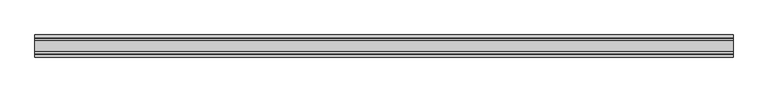
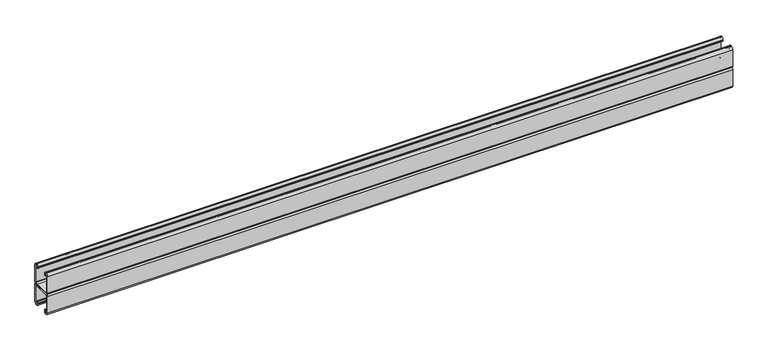
"""IFC4 building model written with IfcOpenShell, lengths in millimetres: proxy geometry."""

from ifc_helpers import new_model, si_unit, point, frame, frame_2d, origin, place, context, project, spatial, polyline, circle_curve, trimmed, segment, composite_curve, outline, extrude, source, transform, mapped, element, save


def specialty_equipment_ce1743c3(model_context):
    return source(origin(), model_context, "Body", "SweptSolid", [
        extrude(outline(composite_curve([segment(trimmed(circle_curve(frame_2d((-15.58925, 5.04825)), 2.38125), [point((-17.9705, 5.04825))], [point((-15.58925, 2.667))], True, "CARTESIAN"), True, "CONTINUOUS"), segment(polyline([(-15.58925, 2.667), (-14.57325, 2.667)]), True, "CONTINUOUS"), segment(trimmed(circle_curve(frame_2d((-14.57325, 3.46075)), 0.79375), [point((-14.57325, 2.667))], [point((-13.7795, 3.46075))], True, "CARTESIAN"), True, "CONTINUOUS"), segment(polyline([(-13.7795, 3.46075), (-13.7795, 5.8039)]), True, "CONTINUOUS"), segment(trimmed(circle_curve(frame_2d((-12.446, 5.8039)), 1.3335), [point((-13.7795, 5.8039))], [point((-11.1125, 5.8039))], False, "CARTESIAN"), True, "CONTINUOUS"), segment(polyline([(-11.1125, 5.8039), (-11.1125, 3.46075)]), True, "CONTINUOUS"), segment(trimmed(circle_curve(frame_2d((-14.57325, 3.46075)), 3.46075), [point((-11.1125, 3.46075))], [point((-14.57325, 0.0))], False, "CARTESIAN"), True, "CONTINUOUS"), segment(polyline([(-14.57325, 0.0), (-15.58925, 0.0)]), True, "CONTINUOUS"), segment(trimmed(circle_curve(frame_2d((-15.58925, 5.04825)), 5.04825), [point((-15.58925, 0.0))], [point((-20.6375, 5.04825))], False, "CARTESIAN"), True, "CONTINUOUS"), segment(polyline([(-20.6375, 5.04825), (-20.6375, 37.81425)]), True, "CONTINUOUS"), segment(trimmed(circle_curve(frame_2d((-17.17675, 37.81425)), 3.46075), [point((-20.6375, 37.81425))], [point((-17.17675, 41.275))], False, "CARTESIAN"), True, "CONTINUOUS"), segment(polyline([(-17.17675, 41.275), (17.17675, 41.275)]), True, "CONTINUOUS"), segment(trimmed(circle_curve(frame_2d((17.17675, 37.81425)), 3.46075), [point((17.17675, 41.275))], [point((20.6375, 37.81425))], False, "CARTESIAN"), True, "CONTINUOUS"), segment(polyline([(20.6375, 37.81425), (20.6375, 5.04825)]), True, "CONTINUOUS"), segment(trimmed(circle_curve(frame_2d((15.58925, 5.04825)), 5.04825), [point((20.6375, 5.04825))], [point((15.58925, 0.0))], False, "CARTESIAN"), True, "CONTINUOUS"), segment(polyline([(15.58925, 0.0), (14.57325, 0.0)]), True, "CONTINUOUS"), segment(trimmed(circle_curve(frame_2d((14.57325, 3.46075)), 3.46075), [point((14.57325, 0.0))], [point((11.1125, 3.46075))], False, "CARTESIAN"), True, "CONTINUOUS"), segment(polyline([(11.1125, 3.46075), (11.1125, 5.8039)]), True, "CONTINUOUS"), segment(trimmed(circle_curve(frame_2d((12.446, 5.8039)), 1.3335), [point((11.1125, 5.8039))], [point((13.7795, 5.8039))], False, "CARTESIAN"), True, "CONTINUOUS"), segment(polyline([(13.7795, 5.8039), (13.7795, 3.46075)]), True, "CONTINUOUS"), segment(trimmed(circle_curve(frame_2d((14.57325, 3.46075)), 0.79375), [point((13.7795, 3.46075))], [point((14.57325, 2.667))], True, "CARTESIAN"), True, "CONTINUOUS"), segment(polyline([(14.57325, 2.667), (15.58925, 2.667)]), True, "CONTINUOUS"), segment(trimmed(circle_curve(frame_2d((15.58925, 5.04825)), 2.38125), [point((15.58925, 2.667))], [point((17.9705, 5.04825))], True, "CARTESIAN"), True, "CONTINUOUS"), segment(polyline([(17.9705, 5.04825), (17.9705, 37.81425)]), True, "CONTINUOUS"), segment(trimmed(circle_curve(frame_2d((17.17675, 37.81425)), 0.79375), [point((17.9705, 37.81425))], [point((17.17675, 38.608))], True, "CARTESIAN"), True, "CONTINUOUS"), segment(polyline([(17.17675, 38.608), (-17.17675, 38.608)]), True, "CONTINUOUS"), segment(trimmed(circle_curve(frame_2d((-17.17675, 37.81425)), 0.79375), [point((-17.17675, 38.608))], [point((-17.9705, 37.81425))], True, "CARTESIAN"), True, "CONTINUOUS"), segment(polyline([(-17.9705, 37.81425), (-17.9705, 5.04825)]), True, "CONTINUOUS")], self_intersect=False)), frame((-500.0, 0.0, 0.0), z_axis=(1.0, 0.0, 0.0), x_axis=(0.0, 1.0, 0.0)), (0.0, 0.0, 1.0), 1300.0),
        extrude(outline(composite_curve([segment(polyline([(-17.9705, 77.50175), (-17.9705, 44.73575)]), True, "CONTINUOUS"), segment(trimmed(circle_curve(frame_2d((-17.17675, 44.73575)), 0.79375), [point((-17.9705, 44.73575))], [point((-17.17675, 43.942))], True, "CARTESIAN"), True, "CONTINUOUS"), segment(polyline([(-17.17675, 43.942), (17.17675, 43.942)]), True, "CONTINUOUS"), segment(trimmed(circle_curve(frame_2d((17.17675, 44.73575)), 0.79375), [point((17.17675, 43.942))], [point((17.9705, 44.73575))], True, "CARTESIAN"), True, "CONTINUOUS"), segment(polyline([(17.9705, 44.73575), (17.9705, 77.50175)]), True, "CONTINUOUS"), segment(trimmed(circle_curve(frame_2d((15.58925, 77.50175)), 2.38125), [point((17.9705, 77.50175))], [point((15.58925, 79.883))], True, "CARTESIAN"), True, "CONTINUOUS"), segment(polyline([(15.58925, 79.883), (14.57325, 79.883)]), True, "CONTINUOUS"), segment(trimmed(circle_curve(frame_2d((14.57325, 79.08925)), 0.79375), [point((14.57325, 79.883))], [point((13.7795, 79.08925))], True, "CARTESIAN"), True, "CONTINUOUS"), segment(polyline([(13.7795, 79.08925), (13.7795, 76.7461)]), True, "CONTINUOUS"), segment(trimmed(circle_curve(frame_2d((12.446, 76.7461)), 1.3335), [point((13.7795, 76.7461))], [point((11.1125, 76.7461))], False, "CARTESIAN"), True, "CONTINUOUS"), segment(polyline([(11.1125, 76.7461), (11.1125, 79.08925)]), True, "CONTINUOUS"), segment(trimmed(circle_curve(frame_2d((14.57325, 79.08925)), 3.46075), [point((11.1125, 79.08925))], [point((14.57325, 82.55))], False, "CARTESIAN"), True, "CONTINUOUS"), segment(polyline([(14.57325, 82.55), (15.58925, 82.55)]), True, "CONTINUOUS"), segment(trimmed(circle_curve(frame_2d((15.58925, 77.50175)), 5.04825), [point((15.58925, 82.55))], [point((20.6375, 77.50175))], False, "CARTESIAN"), True, "CONTINUOUS"), segment(polyline([(20.6375, 77.50175), (20.6375, 44.73575)]), True, "CONTINUOUS"), segment(trimmed(circle_curve(frame_2d((17.17675, 44.73575)), 3.46075), [point((20.6375, 44.73575))], [point((17.17675, 41.275))], False, "CARTESIAN"), True, "CONTINUOUS"), segment(polyline([(17.17675, 41.275), (-17.17675, 41.275)]), True, "CONTINUOUS"), segment(trimmed(circle_curve(frame_2d((-17.17675, 44.73575)), 3.46075), [point((-17.17675, 41.275))], [point((-20.6375, 44.73575))], False, "CARTESIAN"), True, "CONTINUOUS"), segment(polyline([(-20.6375, 44.73575), (-20.6375, 77.50175)]), True, "CONTINUOUS"), segment(trimmed(circle_curve(frame_2d((-15.58925, 77.50175)), 5.04825), [point((-20.6375, 77.50175))], [point((-15.58925, 82.55))], False, "CARTESIAN"), True, "CONTINUOUS"), segment(polyline([(-15.58925, 82.55), (-14.57325, 82.55)]), True, "CONTINUOUS"), segment(trimmed(circle_curve(frame_2d((-14.57325, 79.08925)), 3.46075), [point((-14.57325, 82.55))], [point((-11.1125, 79.08925))], False, "CARTESIAN"), True, "CONTINUOUS"), segment(polyline([(-11.1125, 79.08925), (-11.1125, 76.7461)]), True, "CONTINUOUS"), segment(trimmed(circle_curve(frame_2d((-12.446, 76.7461)), 1.3335), [point((-11.1125, 76.7461))], [point((-13.7795, 76.7461))], False, "CARTESIAN"), True, "CONTINUOUS"), segment(polyline([(-13.7795, 76.7461), (-13.7795, 79.08925)]), True, "CONTINUOUS"), segment(trimmed(circle_curve(frame_2d((-14.57325, 79.08925)), 0.79375), [point((-13.7795, 79.08925))], [point((-14.57325, 79.883))], True, "CARTESIAN"), True, "CONTINUOUS"), segment(polyline([(-14.57325, 79.883), (-15.58925, 79.883)]), True, "CONTINUOUS"), segment(trimmed(circle_curve(frame_2d((-15.58925, 77.50175)), 2.38125), [point((-15.58925, 79.883))], [point((-17.9705, 77.50175))], True, "CARTESIAN"), True, "CONTINUOUS")], self_intersect=False)), frame((-500.0, 0.0, 0.0), z_axis=(1.0, 0.0, 0.0), x_axis=(0.0, 1.0, 0.0)), (0.0, 0.0, 1.0), 1300.0),
    ])


if __name__ == "__main__":
    model = new_model("IFC4")
    model_context = context("Model", 3, world=origin())
    ifc_project = project(units=[si_unit("LENGTHUNIT", "METRE", prefix="MILLI")], contexts=[model_context])
    site = spatial("IfcSite", under=ifc_project)
    building = spatial("IfcBuilding", under=site)
    placement = place(None, origin())
    specialty_equipment_shape = specialty_equipment_ce1743c3(model_context)
    element("IfcBuildingElementProxy", 1, Name="Specialty Equipment", at=placement, inside=building, context=model_context, shape_type="MappedRepresentation", body=[
        mapped(specialty_equipment_shape, transform((0.0, 0.0, 0.0), x_axis=(1.0, 0.0, 0.0), y_axis=(0.0, 1.0, 0.0), z_axis=(0.0, 0.0, 1.0))),
    ])
    save(model, "model.ifc")
